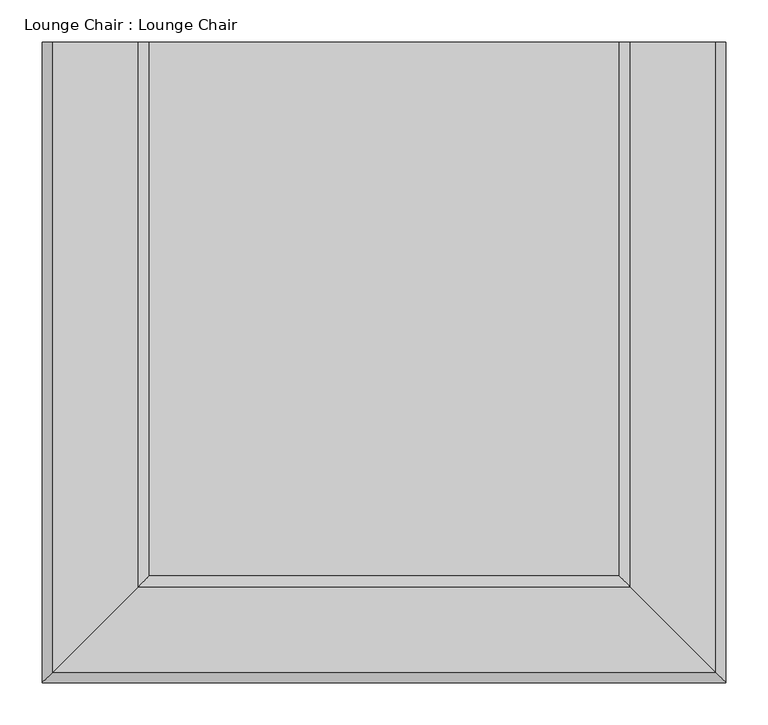
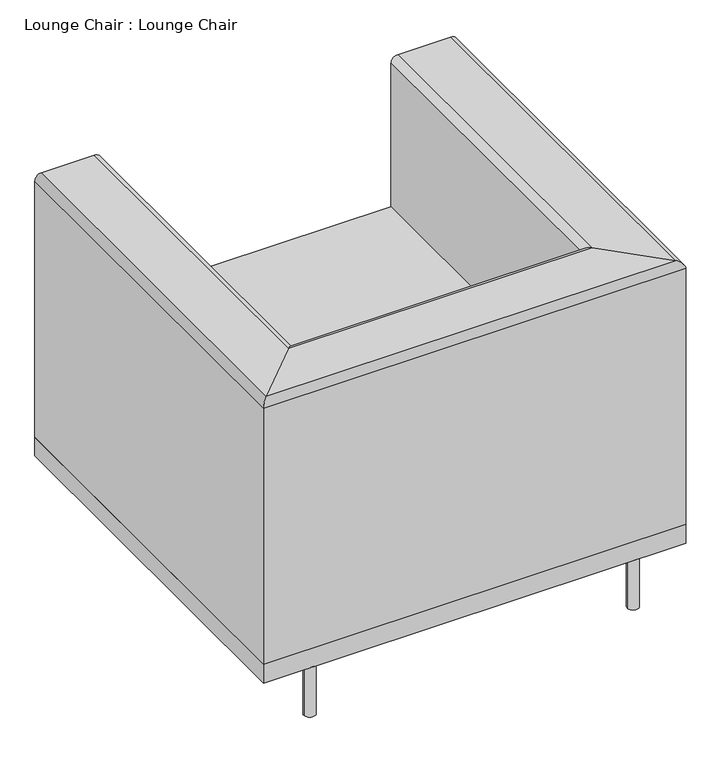
"""IFC4 building model written with IfcOpenShell, lengths in millimetres: furniture geometry, Lounge Chair : Lounge Chair."""

from ifc_helpers import new_model, si_unit, point, frame, frame_2d, origin, origin_with_axes, place, context, project, spatial, polyline, circle_curve, ellipse_curve, trimmed, segment, composite_curve, outline, extrude, source, transform, mapped, element, save
from ifc_brep_helpers import plane_surface, cylinder_surface, advanced_brep


def lounge_chair_lounge_chair_9e04bb55(model_context):
    return source(origin(), model_context, "Body", "SolidModel", [
        extrude(outline(composite_curve([segment(trimmed(circle_curve(frame_2d((884.5237705, -836.6645492)), 11.1125), [point((895.6362705, -836.6645492))], [point((873.4112705, -836.6645492))], False, "CARTESIAN"), True, "CONTINUOUS"), segment(trimmed(circle_curve(frame_2d((884.5237705, -836.6645492)), 11.1125), [point((873.4112705, -836.6645492))], [point((895.6362705, -836.6645492))], False, "CARTESIAN"), True, "CONTINUOUS")], self_intersect=False)), origin_with_axes(), (0.0, 0.0, 1.0), 101.6),
        extrude(outline(composite_curve([segment(trimmed(circle_curve(frame_2d((262.2237705, -836.6645492)), 11.1125), [point((273.3362705, -836.6645492))], [point((251.1112705, -836.6645492))], False, "CARTESIAN"), True, "CONTINUOUS"), segment(trimmed(circle_curve(frame_2d((262.2237705, -836.6645492)), 11.1125), [point((251.1112705, -836.6645492))], [point((273.3362705, -836.6645492))], False, "CARTESIAN"), True, "CONTINUOUS")], self_intersect=False)), origin_with_axes(), (0.0, 0.0, 1.0), 101.6),
        advanced_brep(
        [(166.9737705, -85.7770492, 139.7), (166.9737705, -85.7770492, 660.4), (179.6737705, -85.7770492, 673.1), (281.2737705, -85.7770492, 673.1), (293.9737705, -85.7770492, 660.4), (293.9737705, -85.7770492, 139.7), (293.9737705, -720.7770492, 139.7), (166.9737705, -847.7770492, 139.7), (293.9737705, -720.7770492, 660.4), (281.2737705, -733.4770492, 673.1), (179.6737705, -835.0770492, 673.1), (166.9737705, -847.7770492, 660.4), (852.7737705, -720.7770492, 139.7), (979.7737705, -847.7770492, 139.7), (852.7737705, -720.7770492, 660.4), (865.4737705, -733.4770492, 673.1), (967.0737705, -835.0770492, 673.1), (979.7737705, -847.7770492, 660.4), (979.7737705, -85.7770492, 139.7), (852.7737705, -85.7770492, 139.7), (852.7737705, -85.7770492, 660.4), (865.4737705, -85.7770492, 673.1), (967.0737705, -85.7770492, 673.1), (979.7737705, -85.7770492, 660.4)],
        [
            (0, 1),
            (1, 2, circle_curve(frame((179.6737705, -85.7770492, 660.4), z_axis=(0.0, 1.0, 0.0), x_axis=(-1.0, 0.0, 0.0)), 12.7)),
            (2, 3),
            (3, 4, circle_curve(frame((281.2737705, -85.7770492, 660.4), z_axis=(0.0, 1.0, 0.0), x_axis=(-1.0, 0.0, 0.0)), 12.7)),
            (4, 5),
            (5, 0),
            (5, 6),
            (6, 7),
            (7, 0),
            (4, 8),
            (8, 6),
            (3, 9),
            (9, 8, ellipse_curve(frame((281.2737705, -733.4770492, 660.4), z_axis=(-0.7071067811865475, 0.7071067811865475, 0.0), x_axis=(0.7071067811865474, 0.7071067811865476, 0.0)), 17.9605122, 12.7)),
            (2, 10),
            (10, 9),
            (1, 11),
            (11, 10, ellipse_curve(frame((179.6737705, -835.0770492, 660.4), z_axis=(-0.7071067811865475, 0.7071067811865475, 0.0), x_axis=(0.7071067811865474, 0.7071067811865476, 0.0)), 17.9605122, 12.7)),
            (7, 11),
            (6, 12),
            (12, 13),
            (13, 7),
            (8, 14),
            (14, 12),
            (9, 15),
            (15, 14, ellipse_curve(frame((865.4737705, -733.4770492, 660.4), z_axis=(-0.7071067811865475, -0.7071067811865475, 0.0), x_axis=(-0.7071067811865476, 0.7071067811865474, 0.0)), 17.9605122, 12.7)),
            (10, 16),
            (16, 15),
            (11, 17),
            (17, 16, ellipse_curve(frame((967.0737705, -835.0770492, 660.4), z_axis=(-0.7071067811865475, -0.7071067811865475, 0.0), x_axis=(-0.7071067811865476, 0.7071067811865474, 0.0)), 17.9605122, 12.7)),
            (13, 17),
            (18, 19),
            (19, 20),
            (20, 21, circle_curve(frame((865.4737705, -85.7770492, 660.4), z_axis=(0.0, 1.0, 0.0), x_axis=(1.0, 0.0, 0.0)), 12.7)),
            (21, 22),
            (22, 23, circle_curve(frame((967.0737705, -85.7770492, 660.4), z_axis=(0.0, 1.0, 0.0), x_axis=(1.0, 0.0, 0.0)), 12.7)),
            (23, 18),
            (12, 19),
            (18, 13),
            (14, 20),
            (15, 21),
            (16, 22),
            (17, 23),
        ],
        [
            plane_surface(frame((-515.7619763, -85.7770492, 0.0), z_axis=(0.0, 1.0, 0.0), x_axis=(0.0, 0.0, 1.0))),
            plane_surface(frame((166.9737705, -85.7770492, 139.7), z_axis=(0.0, 0.0, -1.0), x_axis=(0.0, -1.0, 0.0))),
            plane_surface(frame((293.9737705, -85.7770492, 139.7), z_axis=(1.0, 0.0, 0.0), x_axis=(0.0, -1.0, 0.0))),
            cylinder_surface(frame((281.2737705, -85.7770492, 660.4), z_axis=(0.0, 1.0, 0.0), x_axis=(-1.0, 0.0, 0.0)), 12.7),
            plane_surface(frame((281.2737705, -85.7770492, 673.1), z_axis=(0.0, 0.0, 1.0), x_axis=(0.0, -1.0, 0.0))),
            cylinder_surface(frame((179.6737705, -85.7770492, 660.4), z_axis=(0.0, 1.0, 0.0), x_axis=(-1.0, 0.0, 0.0)), 12.7),
            plane_surface(frame((166.9737705, -85.7770492, 660.4), z_axis=(-1.0, 0.0, 0.0), x_axis=(0.0, -1.0, 0.0))),
            plane_surface(frame((166.9737705, -847.7770492, 139.7), z_axis=(0.0, 0.0, -1.0), x_axis=(1.0, 0.0, 0.0))),
            plane_surface(frame((293.9737705, -720.7770492, 139.7), z_axis=(0.0, 1.0, 0.0), x_axis=(1.0, 0.0, 0.0))),
            cylinder_surface(frame((166.9737705, -733.4770492, 660.4), z_axis=(-1.0, 0.0, 0.0), x_axis=(0.0, -1.0, 0.0)), 12.7),
            plane_surface(frame((281.2737705, -733.4770492, 673.1), z_axis=(0.0, 0.0, 1.0), x_axis=(1.0, 0.0, 0.0))),
            cylinder_surface(frame((166.9737705, -835.0770492, 660.4), z_axis=(-1.0, 0.0, 0.0), x_axis=(0.0, -1.0, 0.0)), 12.7),
            plane_surface(frame((166.9737705, -847.7770492, 660.4), z_axis=(0.0, -1.0, 0.0), x_axis=(1.0, 0.0, 0.0))),
            plane_surface(frame((297.0380237, -85.7770492, 0.0), z_axis=(0.0, 1.0, 0.0), x_axis=(0.0, 0.0, -1.0))),
            plane_surface(frame((979.7737705, -847.7770492, 139.7), z_axis=(0.0, 0.0, -1.0), x_axis=(0.0, 1.0, 0.0))),
            plane_surface(frame((852.7737705, -720.7770492, 139.7), z_axis=(-1.0, 0.0, 0.0), x_axis=(0.0, 1.0, 0.0))),
            cylinder_surface(frame((865.4737705, -847.7770492, 660.4), z_axis=(0.0, -1.0, 0.0), x_axis=(1.0, 0.0, 0.0)), 12.7),
            plane_surface(frame((865.4737705, -733.4770492, 673.1), z_axis=(0.0, 0.0, 1.0), x_axis=(0.0, 1.0, 0.0))),
            cylinder_surface(frame((967.0737705, -847.7770492, 660.4), z_axis=(0.0, -1.0, 0.0), x_axis=(1.0, 0.0, 0.0)), 12.7),
            plane_surface(frame((979.7737705, -847.7770492, 660.4), z_axis=(1.0, 0.0, 0.0), x_axis=(0.0, 1.0, 0.0))),
        ],
        [
            (0, [[1, 2, 3, 4, 5, 6]]),
            (1, [[7, 8, 9, -6]]),
            (2, [[10, 11, -7, -5]]),
            (3, [[12, 13, -10, -4]]),
            (4, [[14, 15, -12, -3]]),
            (5, [[16, 17, -14, -2]]),
            (6, [[-9, 18, -16, -1]]),
            (7, [[19, 20, 21, -8]]),
            (8, [[22, 23, -19, -11]]),
            (9, [[24, 25, -22, -13]]),
            (10, [[26, 27, -24, -15]]),
            (11, [[28, 29, -26, -17]]),
            (12, [[-21, 30, -28, -18]]),
            (13, [[31, 32, 33, 34, 35, 36]]),
            (14, [[37, -31, 38, -20]]),
            (15, [[39, -32, -37, -23]]),
            (16, [[40, -33, -39, -25]]),
            (17, [[41, -34, -40, -27]]),
            (18, [[42, -35, -41, -29]]),
            (19, [[-38, -36, -42, -30]]),
        ],
    ),
        extrude(outline(composite_curve([segment(trimmed(circle_curve(frame_2d((884.5237705, -96.8895492)), 11.1125), [point((895.6362705, -96.8895492))], [point((873.4112705, -96.8895492))], False, "CARTESIAN"), True, "CONTINUOUS"), segment(trimmed(circle_curve(frame_2d((884.5237705, -96.8895492)), 11.1125), [point((873.4112705, -96.8895492))], [point((895.6362705, -96.8895492))], False, "CARTESIAN"), True, "CONTINUOUS")], self_intersect=False)), origin_with_axes(), (0.0, 0.0, 1.0), 101.6),
        extrude(outline(composite_curve([segment(trimmed(circle_curve(frame_2d((262.2237705, -96.8895492)), 11.1125), [point((273.3362705, -96.8895492))], [point((251.1112705, -96.8895492))], False, "CARTESIAN"), True, "CONTINUOUS"), segment(trimmed(circle_curve(frame_2d((262.2237705, -96.8895492)), 11.1125), [point((251.1112705, -96.8895492))], [point((273.3362705, -96.8895492))], False, "CARTESIAN"), True, "CONTINUOUS")], self_intersect=False)), origin_with_axes(), (0.0, 0.0, 1.0), 101.6),
        extrude(outline(polyline([(852.7737705, -720.7770492), (293.9737705, -720.7770492), (293.9737705, -85.7770492), (852.7737705, -85.7770492), (852.7737705, -720.7770492)])), frame((0.0, 0.0, 139.7), z_axis=(0.0, 0.0, 1.0), x_axis=(1.0, 0.0, 0.0)), (0.0, 0.0, 1.0), 228.6),
        extrude(outline(polyline([(979.7737705, -847.7770492), (166.9737705, -847.7770492), (166.9737705, -85.7770492), (979.7737705, -85.7770492), (979.7737705, -847.7770492)])), frame((0.0, 0.0, 101.6), z_axis=(0.0, 0.0, 1.0), x_axis=(1.0, 0.0, 0.0)), (0.0, 0.0, 1.0), 38.1),
    ])


if __name__ == "__main__":
    model = new_model("IFC4")
    model_context = context("Model", 3, world=origin())
    ifc_project = project(units=[si_unit("LENGTHUNIT", "METRE", prefix="MILLI")], contexts=[model_context])
    site = spatial("IfcSite", under=ifc_project)
    building = spatial("IfcBuilding", under=site)
    placement = place(None, origin())
    lounge_chair_lounge_chair_shape = lounge_chair_lounge_chair_9e04bb55(model_context)
    element("IfcFurniture", 1, ObjectType="Lounge Chair : Lounge Chair", at=placement, inside=building, context=model_context, shape_type="MappedRepresentation", body=[
        mapped(lounge_chair_lounge_chair_shape, transform((0.0, 0.0, 0.0), x_axis=(1.0, 0.0, 0.0), y_axis=(0.0, 1.0, 0.0), z_axis=(0.0, 0.0, 1.0))),
    ])
    save(model, "model.ifc")
